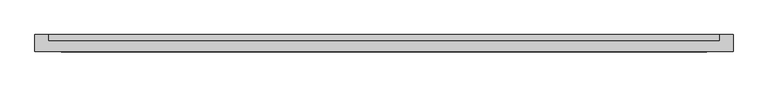
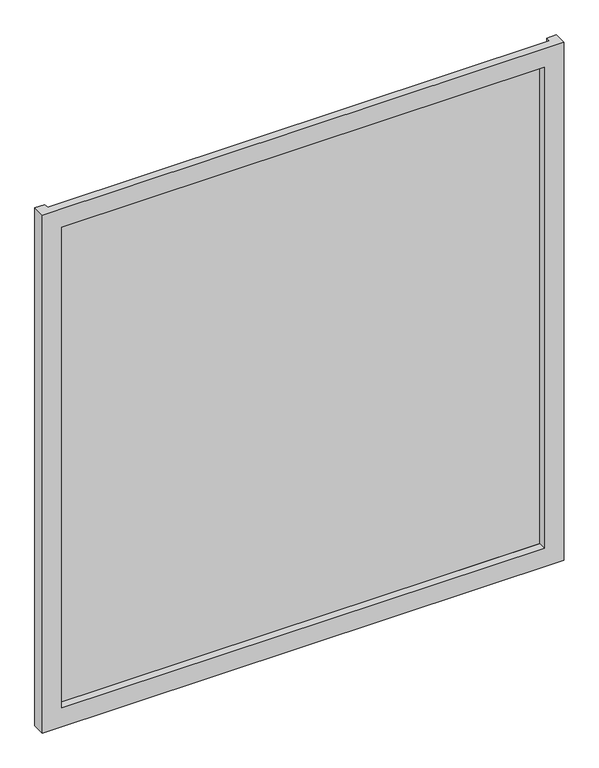
"""IFC4 building model written with IfcOpenShell, lengths in millimetres: plate geometry."""

import ifcopenshell
import ifcopenshell.guid

model = None  # the IFC model being written
_history = None  # IfcOwnerHistory: only IFC2X3 demands one
_inside = {}  # id of a spatial element -> (the spatial element, [elements in it])
_under = {}  # id of a project, library or spatial element -> (it, [spatial elements below it])
_declared = {}  # id of a project -> (the project, [libraries it declares])
_typed = {}  # id of a type object -> (the type object, [elements of that type])
_made_of = {}  # id of a material, layer set ... -> (it, [elements and type objects made of it])


def new_model(schema):
    """Start an empty IFC model of exactly this schema.

    Asked for "IFC4X3", IfcOpenShell would pick the latest addendum, in which some entities
    have other attributes; the version numbers below select the first issue.
    IFC2X3 requires an IfcOwnerHistory on every rooted entity: one is made here for all.
    """
    global model, _history
    if schema == "IFC4X3":
        model = ifcopenshell.file(schema_version=(4, 3, 0, 0))
    else:
        model = ifcopenshell.file(schema=schema)
    _inside.clear()
    _under.clear()
    _declared.clear()
    _typed.clear()
    _made_of.clear()
    _history = None
    if model.schema == "IFC2X3":
        org = make("IfcOrganization", Name="unknown")
        user = make(
            "IfcPersonAndOrganization",
            ThePerson=make("IfcPerson", FamilyName="unknown"),
            TheOrganization=org,
        )
        app = make(
            "IfcApplication",
            ApplicationDeveloper=org,
            Version="unknown",
            ApplicationFullName="unknown",
            ApplicationIdentifier="unknown",
        )
        _history = make(
            "IfcOwnerHistory",
            OwningUser=user,
            OwningApplication=app,
            ChangeAction="ADDED",
            CreationDate=0,
        )
    return model


def make(cls, **values):
    """One entity of the class cls with the attributes given. An attribute that is None is left unset."""
    return model.create_entity(
        cls, **{name: value for name, value in values.items() if value is not None}
    )


def rooted(cls, **values):
    """An entity with a GlobalId (a new one), such as an element, a storey or a relation."""
    return make(cls, GlobalId=ifcopenshell.guid.new(), OwnerHistory=_history, **values)


def si_unit(unit_type, name, prefix=None):
    """IfcSIUnit, for example si_unit("LENGTHUNIT", "METRE", prefix="MILLI")."""
    return make("IfcSIUnit", UnitType=unit_type, Prefix=prefix, Name=name)


def assignment(units):
    """IfcUnitAssignment: the units of a project."""
    return None if units is None else make("IfcUnitAssignment", Units=units)


def point(xyz):
    """IfcCartesianPoint."""
    return None if xyz is None else make("IfcCartesianPoint", Coordinates=xyz)


def direction(xyz):
    """IfcDirection."""
    return None if xyz is None else make("IfcDirection", DirectionRatios=xyz)


def frame(location, z_axis=None, x_axis=None):
    """IfcAxis2Placement3D, a coordinate frame: its origin and axes. An axis left out is left unset."""
    return make(
        "IfcAxis2Placement3D",
        Location=point(location),
        Axis=direction(z_axis),
        RefDirection=direction(x_axis),
    )


def origin():
    """The frame at (0, 0, 0) with its axes left unset."""
    return frame((0.0, 0.0, 0.0))


def origin_with_axes():
    """The frame at (0, 0, 0) with the z axis (0, 0, 1) and the x axis (1, 0, 0) written out."""
    return frame((0.0, 0.0, 0.0), z_axis=(0.0, 0.0, 1.0), x_axis=(1.0, 0.0, 0.0))


def place(relative_to, where):
    """IfcLocalPlacement: puts the frame where relative to a parent placement (None: the world)."""
    return make(
        "IfcLocalPlacement", PlacementRelTo=relative_to, RelativePlacement=where
    )


def context(
    kind, dimensions, precision=None, world=None, true_north=None, identifier=None
):
    """IfcGeometricRepresentationContext, for example the 3D "Model" context."""
    return make(
        "IfcGeometricRepresentationContext",
        ContextIdentifier=identifier,
        ContextType=kind,
        CoordinateSpaceDimension=dimensions,
        Precision=precision,
        WorldCoordinateSystem=world,
        TrueNorth=true_north,
    )


def project(units=None, contexts=None):
    """IfcProject with its units and contexts."""
    return rooted(
        "IfcProject",
        Name="project",
        RepresentationContexts=contexts,
        UnitsInContext=assignment(units),
    )


def spatial(cls, under=None, at=None, **own):
    """A site, building, storey or space (cls), placed at a placement, below another one or the project."""
    s = rooted(cls, ObjectPlacement=at, **own)
    if under is not None:
        _under.setdefault(under.id(), (under, []))[1].append(s)
    return s


def polyline(points):
    """IfcPolyline through the points."""
    return make("IfcPolyline", Points=[point(p) for p in points])


def outline(outer, holes=None, kind="AREA"):
    """IfcArbitraryClosedProfileDef: a profile drawn as a closed curve; with holes, ...WithVoids."""
    if holes is None:
        return make("IfcArbitraryClosedProfileDef", ProfileType=kind, OuterCurve=outer)
    return make(
        "IfcArbitraryProfileDefWithVoids",
        ProfileType=kind,
        OuterCurve=outer,
        InnerCurves=holes,
    )


def extrude(swept, where, along, depth):
    """IfcExtrudedAreaSolid: the profile swept, set in the frame where, extruded along a direction by depth."""
    return make(
        "IfcExtrudedAreaSolid",
        SweptArea=swept,
        Position=where,
        ExtrudedDirection=direction(along),
        Depth=depth,
    )


def faces_of(points, faces, orient=None, outer=None):
    """IfcFace entities. A face is a list of loops; a loop is a list of indices into points, from 0.

    orient and outer hold one flag for each loop. By default every Orientation is true, the
    first loop of a face is its IfcFaceOuterBound and the others are IfcFaceBound.
    """
    made = []
    for i, loops in enumerate(faces):
        bounds = []
        for j, loop in enumerate(loops):
            is_outer = j == 0 if outer is None else outer[i][j]
            bounds.append(
                make(
                    "IfcFaceOuterBound" if is_outer else "IfcFaceBound",
                    Bound=make("IfcPolyLoop", Polygon=[points[k] for k in loop]),
                    Orientation=True if orient is None else orient[i][j],
                )
            )
        made.append(make("IfcFace", Bounds=bounds))
    return made


def faceted_brep(points, faces, orient=None, outer=None, voids=None):
    """IfcFacetedBrep: a solid bounded by flat faces; with voids (closed shells), ...WithVoids."""
    shared = [point(p) for p in points]
    hull = make("IfcClosedShell", CfsFaces=faces_of(shared, faces, orient, outer))
    if voids is None:
        return make("IfcFacetedBrep", Outer=hull)
    return make(
        "IfcFacetedBrepWithVoids",
        Outer=hull,
        Voids=[
            make(cls, CfsFaces=faces_of(shared, fs, o, b)) for cls, fs, o, b in voids
        ],
    )


def shape(context_of_items, identifier, shape_type, items):
    """IfcShapeRepresentation: the items that make up one representation, for example the "Body"."""
    return make(
        "IfcShapeRepresentation",
        ContextOfItems=context_of_items,
        RepresentationIdentifier=identifier,
        RepresentationType=shape_type,
        Items=items,
    )


def source(mapping_origin, context_of_items, identifier, shape_type, items):
    """IfcRepresentationMap: a shape defined once, which mapped items show again and again."""
    return make(
        "IfcRepresentationMap",
        MappingOrigin=mapping_origin,
        MappedRepresentation=shape(context_of_items, identifier, shape_type, items),
    )


def transform(
    local_origin,
    x_axis=None,
    y_axis=None,
    z_axis=None,
    scale=None,
    scale2=None,
    scale3=None,
    uniform=True,
):
    """IfcCartesianTransformationOperator3D, or its non-uniform kind. x_axis, y_axis, z_axis: its Axis1, 2, 3."""
    if uniform:
        return make(
            "IfcCartesianTransformationOperator3D",
            Axis1=direction(x_axis),
            Axis2=direction(y_axis),
            LocalOrigin=point(local_origin),
            Scale=scale,
            Axis3=direction(z_axis),
        )
    return make(
        "IfcCartesianTransformationOperator3DnonUniform",
        Axis1=direction(x_axis),
        Axis2=direction(y_axis),
        LocalOrigin=point(local_origin),
        Scale=scale,
        Axis3=direction(z_axis),
        Scale2=scale2,
        Scale3=scale3,
    )


def mapped(mapping_source, mapping_target):
    """IfcMappedItem: shows the shape of a source again, moved by a transform."""
    return make(
        "IfcMappedItem", MappingSource=mapping_source, MappingTarget=mapping_target
    )


def made_of(thing, what):
    """Note that an element or type object is made of a material, layer set ...; save() writes the relation."""
    if what is not None:
        _made_of.setdefault(what.id(), (what, []))[1].append(thing)
    return thing


def element(
    cls,
    number,
    at=None,
    inside=None,
    cuts=None,
    type_object=None,
    material=None,
    context=None,
    identifier="Body",
    shape_type=None,
    held_by="IfcProductDefinitionShape",
    body=None,
    shapes=None,
    **own,
):
    """One element of the class cls, such as IfcWall. Its Tag is "e" and its number.

    at: its placement. inside: the storey or other place that contains it. cuts: it is an
    opening in that element (IfcRelVoidsElement). A single representation is given by context,
    identifier, shape_type and body (its items); several are given by shapes. held_by: the class
    of the entity that holds the representations. save() writes the other relations.
    """
    e = rooted(cls, Tag="e%d" % number, ObjectPlacement=at, **own)
    if body is not None:
        shapes = [shape(context, identifier, shape_type, body)]
    if shapes is not None:
        e.Representation = make(held_by, Representations=shapes)
    if inside is not None:
        _inside.setdefault(inside.id(), (inside, []))[1].append(e)
    if cuts is not None:
        rooted(
            "IfcRelVoidsElement", RelatingBuildingElement=cuts, RelatedOpeningElement=e
        )
    if type_object is not None:
        _typed.setdefault(type_object.id(), (type_object, []))[1].append(e)
    return made_of(e, material)


def aggregate(whole, parts):
    """IfcRelAggregates: a whole, such as a stair, and the parts it consists of."""
    return rooted("IfcRelAggregates", RelatingObject=whole, RelatedObjects=parts)


def save(model, path):
    """Write the relations noted so far, then the file.

    IfcRelAggregates (storeys below a building ...), IfcRelContainedInSpatialStructure (elements
    in a storey), IfcRelDefinesByType, IfcRelAssociatesMaterial and IfcRelDeclares: one each for
    every whole, place, type object, material and project.
    """
    for whole, parts in _under.values():
        aggregate(whole, parts)
    for where, things in _inside.values():
        rooted(
            "IfcRelContainedInSpatialStructure",
            RelatedElements=things,
            RelatingStructure=where,
        )
    for kind, things in _typed.values():
        rooted("IfcRelDefinesByType", RelatedObjects=things, RelatingType=kind)
    for what, things in _made_of.values():
        rooted("IfcRelAssociatesMaterial", RelatedObjects=things, RelatingMaterial=what)
    for by, libraries in _declared.values():
        rooted("IfcRelDeclares", RelatingContext=by, RelatedDefinitions=libraries)
    model.write(path)


def plate_e02f9780(model_context):
    return source(origin(), model_context, "Body", "SolidModel", [
        faceted_brep([(662.5, -50.9, -50.0), (662.5, -83.3, -50.0), (-662.5, -83.3, -50.0), (-662.5, -50.9, -50.0), (-637.5, -50.9, -50.0), (-637.5, -63.3, -50.0), (637.5, -63.3, -50.0), (637.5, -50.9, -50.0), (612.5, -83.3, 0.0), (612.5, -63.3, 0.0), (-612.5, -63.3, 0.0), (-612.5, -83.3, 0.0), (662.5, -83.3, 1340.0), (-662.5, -83.3, 1340.0), (-612.5, -83.3, 1290.0), (612.5, -83.3, 1290.0), (-637.5, -63.3, 1340.0), (637.5, -63.3, 1340.0), (612.5, -63.3, 1290.0), (-612.5, -63.3, 1290.0), (662.5, -50.9, 1340.0), (637.5, -50.9, 1340.0), (-637.5, -50.9, 1340.0), (-662.5, -50.9, 1340.0)], [[[0, 1, 2, 3, 4, 5, 6, 7]], [[8, 9, 10, 11]], [[12, 13, 2, 1], [11, 14, 15, 8]], [[16, 17, 6, 5], [9, 18, 19, 10]], [[20, 21, 17, 16, 22, 23, 13, 12]], [[20, 0, 7, 21]], [[21, 7, 6, 17]], [[8, 15, 18, 9]], [[12, 1, 0, 20]], [[22, 4, 3, 23]], [[16, 5, 4, 22]], [[10, 19, 14, 11]], [[23, 3, 2, 13]], [[18, 15, 14, 19]]]),
        extrude(outline(polyline([(637.5, -50.9), (637.5, -63.3), (-637.5, -63.3), (-637.5, -50.9), (637.5, -50.9)])), origin_with_axes(), (0.0, 0.0, 1.0), 1290.0),
    ])


if __name__ == "__main__":
    model = new_model("IFC4")
    model_context = context("Model", 3, world=origin())
    ifc_project = project(units=[si_unit("LENGTHUNIT", "METRE", prefix="MILLI")], contexts=[model_context])
    site = spatial("IfcSite", under=ifc_project)
    building = spatial("IfcBuilding", under=site)
    placement = place(None, origin())
    plate_shape = plate_e02f9780(model_context)
    element("IfcPlate", 1, at=placement, inside=building, context=model_context, shape_type="MappedRepresentation", body=[
        mapped(plate_shape, transform((0.0, 0.0, 0.0), x_axis=(1.0, 0.0, 0.0), y_axis=(0.0, 1.0, 0.0), z_axis=(0.0, 0.0, 1.0))),
    ])
    save(model, "model.ifc")
